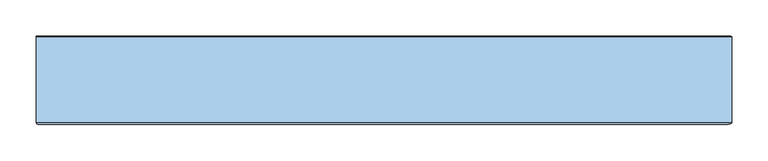
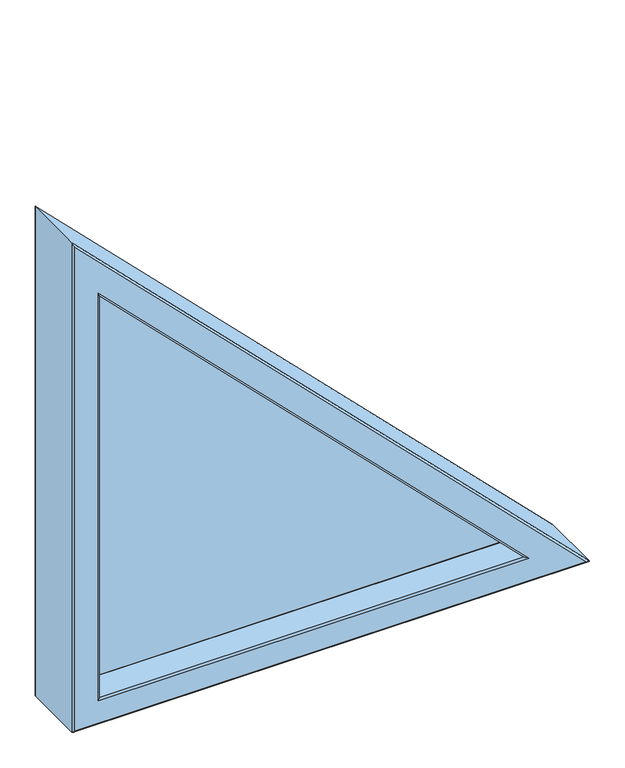
"""IFC4 building model written with IfcOpenShell, lengths in millimetres: window geometry."""

from ifc_helpers import new_model, si_unit, frame, origin, place, context, project, spatial, polyline, ellipse_curve, outline, extrude, source, transform, mapped, element, save
from ifc_brep_helpers import plane_surface, cylinder_surface, revolved_surface, advanced_brep


def window_2cdd886a(model_context):
    return source(origin(), model_context, "Body", "SolidModel", [
        advanced_brep(
        [(-439.5, 91.0, 860.5), (-438.0, 89.5, 862.0), (350.3187591, 89.5, 862.0), (353.9400795, 91.0, 860.5), (-438.0, 89.5, 1650.3187591), (-439.5, 91.0, 1653.9400795), (350.3187591, 35.0, 862.0), (-438.0, 35.0, 1650.3187591), (390.515109, 91.0, 845.3501267), (-454.6498733, 91.0, 845.3501267), (-454.6498733, 91.0, 1690.515109), (-456.1386925, 92.317196, 843.8613075), (394.1094365, 92.317196, 843.8613075), (-456.1386925, 92.317196, 1694.1094365), (408.8368183, 142.0, 837.7610262), (-462.2389738, 142.0, 1708.8368183), (-462.2389738, 142.0, 837.7610262), (350.3187591, 142.0, 862.0), (-438.0, 142.0, 862.0), (-438.0, 142.0, 1650.3187591), (-438.0, 143.3448353, 862.0), (350.3187591, 143.3448353, 862.0), (-438.0, 143.3448353, 1650.3187591), (357.8142776, 153.5, 858.8952546), (-441.1047454, 153.5, 1657.8142776), (-441.1047454, 153.5, 858.8952546), (399.1373282, 153.5, 841.7786866), (-458.2213134, 153.5, 841.7786866), (-458.2213134, 153.5, 1699.1373282), (-459.2213134, 152.5, 840.7786866), (401.5515417, 152.5, 840.7786866), (-459.2213134, 152.5, 1701.5515417), (401.5515417, 151.5, 840.7786866), (-459.2213134, 151.5, 1701.5515417), (-459.2213134, 151.5, 840.7786866), (412.1226263, 151.5, 836.4), (-463.6, 151.5, 836.4), (-463.6, 151.5, 1712.1226263), (-463.6, 153.0, 836.4), (412.1226263, 153.0, 836.4), (-463.6, 153.0, 1712.1226263), (414.5368399, 154.0, 835.4), (-464.6, 154.0, 1714.5368399), (-464.6, 154.0, 835.4), (468.6152237, 154.0, 813.0), (-487.0, 154.0, 813.0), (-487.0, 154.0, 1768.6152237), (-488.0, 153.0, 812.0), (471.0294373, 153.0, 812.0), (-488.0, 153.0, 1771.0294373), (471.0294373, 35.0, 812.0), (-488.0, 35.0, 1771.0294373), (-488.0, 35.0, 812.0), (463.7867966, 32.0, 815.0), (-485.0, 32.0, 1763.7867966), (-485.0, 32.0, 815.0), (357.5613998, 32.0, 859.0), (-441.0, 32.0, 859.0), (-441.0, 32.0, 1657.5613998), (-438.0, 35.0, 862.0)],
        [
            (0, 1, ellipse_curve(frame((-439.5, 89.5, 860.5), z_axis=(0.7071067811865474, 0.0, -0.7071067811865476), x_axis=(-0.7071067811865478, 0.0, -0.7071067811865471)), 2.1213203, 1.5)),
            (1, 2),
            (2, 3, ellipse_curve(frame((353.9400795, 89.5, 860.5), z_axis=(-0.3826834323650905, 0.0, -0.9238795325112864), x_axis=(-0.9238795325112865, 0.0, 0.3826834323650905)), 3.9196889, 1.5)),
            (3, 0),
            (2, 4),
            (4, 5, ellipse_curve(frame((-439.5, 89.5, 1653.9400795), z_axis=(0.9238795325112871, 0.0, 0.38268343236508884), x_axis=(0.3826834323650889, 0.0, -0.9238795325112871)), 3.9196889, 1.5)),
            (5, 3),
            (2, 6),
            (6, 7),
            (7, 4),
            (8, 9),
            (9, 10),
            (10, 8),
            (5, 0),
            (11, 9, ellipse_curve(frame((-454.6498733, 92.5, 845.3501267), z_axis=(-0.7071067811865474, 0.0, 0.7071067811865476), x_axis=(0.7071067811865478, 0.0, 0.7071067811865471)), 2.1213203, 1.5)),
            (8, 12, ellipse_curve(frame((390.515109, 92.5, 845.3501267), z_axis=(0.3826834323650905, 0.0, 0.9238795325112864), x_axis=(0.9238795325112865, 0.0, -0.3826834323650905)), 3.9196889, 1.5)),
            (12, 11),
            (10, 13, ellipse_curve(frame((-454.6498733, 92.5, 1690.515109), z_axis=(-0.9238795325112871, 0.0, -0.38268343236508884), x_axis=(-0.3826834323650889, 0.0, 0.9238795325112871)), 3.9196889, 1.5)),
            (13, 12),
            (14, 12),
            (13, 15),
            (15, 14),
            (16, 11),
            (14, 16),
            (15, 16),
            (17, 18),
            (18, 19),
            (19, 17),
            (20, 18),
            (17, 21),
            (21, 20),
            (19, 22),
            (22, 21),
            (23, 21),
            (22, 24),
            (24, 23),
            (25, 20),
            (23, 25),
            (26, 27),
            (27, 28),
            (28, 26),
            (24, 25),
            (29, 27, ellipse_curve(frame((-458.2213134, 152.5, 841.7786866), z_axis=(0.7071067811865474, 0.0, -0.7071067811865476), x_axis=(-0.7071067811865478, 0.0, -0.7071067811865471)), 1.4142136, 1.0)),
            (26, 30, ellipse_curve(frame((399.1373282, 152.5, 841.7786866), z_axis=(-0.3826834323650905, 0.0, -0.9238795325112864), x_axis=(-0.9238795325112865, 0.0, 0.3826834323650905)), 2.6131259, 1.0)),
            (30, 29),
            (28, 31, ellipse_curve(frame((-458.2213134, 152.5, 1699.1373282), z_axis=(0.9238795325112871, 0.0, 0.38268343236508884), x_axis=(0.3826834323650889, 0.0, -0.9238795325112871)), 2.6131259, 1.0)),
            (31, 30),
            (32, 30),
            (31, 33),
            (33, 32),
            (34, 29),
            (32, 34),
            (35, 36),
            (36, 37),
            (37, 35),
            (33, 34),
            (38, 36),
            (35, 39),
            (39, 38),
            (37, 40),
            (40, 39),
            (41, 39, ellipse_curve(frame((414.5368399, 153.0, 835.4), z_axis=(0.3826834323650905, 0.0, 0.9238795325112864), x_axis=(0.9238795325112863, 0.0, -0.38268343236509056)), 2.6131259, 1.0)),
            (40, 42, ellipse_curve(frame((-464.6, 153.0, 1714.5368399), z_axis=(0.9238795325112871, 0.0, 0.38268343236508884), x_axis=(0.3826834323650889, 0.0, -0.9238795325112871)), 2.6131259, 1.0)),
            (42, 41),
            (43, 38, ellipse_curve(frame((-464.6, 153.0, 835.4), z_axis=(0.7071067811865474, 0.0, -0.7071067811865476), x_axis=(-0.7071067811865478, 0.0, -0.7071067811865471)), 1.4142136, 1.0)),
            (41, 43),
            (44, 45),
            (45, 46),
            (46, 44),
            (42, 43),
            (47, 45, ellipse_curve(frame((-487.0, 153.0, 813.0), z_axis=(0.7071067811865474, 0.0, -0.7071067811865476), x_axis=(-0.7071067811865478, 0.0, -0.7071067811865471)), 1.4142136, 1.0)),
            (44, 48, ellipse_curve(frame((468.6152237, 153.0, 813.0), z_axis=(-0.3826834323650905, 0.0, -0.9238795325112864), x_axis=(-0.9238795325112865, 0.0, 0.3826834323650905)), 2.6131259, 1.0)),
            (48, 47),
            (46, 49, ellipse_curve(frame((-487.0, 153.0, 1768.6152237), z_axis=(0.9238795325112871, 0.0, 0.38268343236508884), x_axis=(0.3826834323650889, 0.0, -0.9238795325112871)), 2.6131259, 1.0)),
            (49, 48),
            (50, 48),
            (49, 51),
            (51, 50),
            (52, 47),
            (50, 52),
            (53, 50, ellipse_curve(frame((463.7867966, 35.0, 815.0), z_axis=(0.3826834323650905, 0.0, 0.9238795325112864), x_axis=(0.9238795325112863, 0.0, -0.38268343236509056)), 7.8393778, 3.0)),
            (51, 54, ellipse_curve(frame((-485.0, 35.0, 1763.7867966), z_axis=(0.9238795325112871, 0.0, 0.38268343236508884), x_axis=(0.3826834323650889, 0.0, -0.9238795325112871)), 7.8393778, 3.0)),
            (54, 53),
            (55, 52, ellipse_curve(frame((-485.0, 35.0, 815.0), z_axis=(0.7071067811865474, 0.0, -0.7071067811865476), x_axis=(-0.7071067811865478, 0.0, -0.7071067811865471)), 4.2426407, 3.0)),
            (53, 55),
            (54, 55),
            (56, 57),
            (57, 58),
            (58, 56),
            (59, 57, ellipse_curve(frame((-441.0, 35.0, 859.0), z_axis=(0.7071067811865474, 0.0, -0.7071067811865476), x_axis=(-0.7071067811865478, 0.0, -0.7071067811865471)), 4.2426407, 3.0)),
            (56, 6, ellipse_curve(frame((357.5613998, 35.0, 859.0), z_axis=(-0.3826834323650905, 0.0, -0.9238795325112864), x_axis=(-0.9238795325112865, 0.0, 0.3826834323650905)), 7.8393778, 3.0)),
            (6, 59),
            (58, 7, ellipse_curve(frame((-441.0, 35.0, 1657.5613998), z_axis=(0.9238795325112871, 0.0, 0.38268343236508884), x_axis=(0.3826834323650889, 0.0, -0.9238795325112871)), 7.8393778, 3.0)),
            (1, 59),
            (4, 1),
            (7, 59),
            (11, 13),
            (20, 22),
            (29, 31),
            (38, 40),
            (47, 49),
            (52, 51),
        ],
        [
            cylinder_surface(frame((-500.0, 89.5, 860.5), z_axis=(-1.0, 0.0, 0.0), x_axis=(0.0, 1.0, 0.0)), 1.5),
            cylinder_surface(frame((457.2200397, 89.5, 757.2200397), z_axis=(0.7071067811865465, 0.0, -0.7071067811865487), x_axis=(0.0, 1.0, 0.0)), 1.5),
            plane_surface(frame((350.3187591, 35.0, 862.0), z_axis=(-0.7071067811865485, 0.0, -0.7071067811865467), x_axis=(-0.7071067811865467, 0.0, 0.7071067811865485))),
            plane_surface(frame((-439.5, 91.0, 860.5), z_axis=(0.0, 1.0, 0.0), x_axis=(1.0, 0.0, 0.0))),
            revolved_surface(polyline([(394.1364293485216, 94.0, 845.3501267), (-456.1498732691987, 94.0, 845.3501267)]), (-500.0, 92.5, 845.3501267), (1.0, 0.0, 0.0)),
            revolved_surface(polyline([(-457.2105334252872, 94.0, 1693.07576922529), (393.0757692252886, 94.0, 842.7894665747116)]), (467.9326179, 92.5, 767.9326179), (-0.7071067811865465, 0.0, 0.7071067811865487)),
            plane_surface(frame((394.1094365, 92.317196, 843.8613075), z_axis=(-0.7018361144661913, 0.12186934340514152, -0.70183611446619), x_axis=(-0.7071067811865467, 0.0, 0.7071067811865485))),
            plane_surface(frame((-456.1386925, 92.317196, 843.8613075), z_axis=(0.0, 0.12186934340513604, 0.9925461516413235), x_axis=(1.0, 0.0, 0.0))),
            plane_surface(frame((-462.2389738, 142.0, 837.7610262), z_axis=(0.0, -1.0, 0.0), x_axis=(1.0, 0.0, 0.0))),
            plane_surface(frame((-438.0, 142.0, 862.0), z_axis=(0.0, 0.0, 1.0), x_axis=(1.0, 0.0, 0.0))),
            plane_surface(frame((350.3187591, 142.0, 862.0), z_axis=(-0.7071067811865485, 0.0, -0.7071067811865467), x_axis=(-0.7071067811865467, 0.0, 0.7071067811865485))),
            plane_surface(frame((350.3187591, 143.3448353, 862.0), z_axis=(-0.6762095778224083, 0.29237170472274154, -0.6762095778224074), x_axis=(-0.7071067811865466, 0.0, 0.7071067811865485))),
            plane_surface(frame((-438.0, 143.3448353, 862.0), z_axis=(0.0, 0.2923717047227363, 0.9563047559630357), x_axis=(1.0, 0.0, 0.0))),
            plane_surface(frame((-441.1047454, 153.5, 858.8952546), z_axis=(0.0, 1.0, 0.0), x_axis=(1.0, 0.0, 0.0))),
            cylinder_surface(frame((-500.0, 152.5, 841.7786866), z_axis=(-1.0, 0.0, 0.0), x_axis=(0.0, 1.0, 0.0)), 1.0),
            cylinder_surface(frame((470.4580074, 152.5, 770.4580074), z_axis=(0.7071067811865465, 0.0, -0.7071067811865487), x_axis=(0.0, 1.0, 0.0)), 1.0),
            plane_surface(frame((401.5515417, 152.5, 840.7786866), z_axis=(0.7071067811865485, 0.0, 0.7071067811865467), x_axis=(-0.7071067811865467, 0.0, 0.7071067811865485))),
            plane_surface(frame((-459.2213134, 152.5, 840.7786866), z_axis=(0.0, 0.0, -1.0), x_axis=(1.0, 0.0, 0.0))),
            plane_surface(frame((-459.2213134, 151.5, 840.7786866), z_axis=(0.0, 1.0, 0.0), x_axis=(1.0, 0.0, 0.0))),
            plane_surface(frame((-463.6, 151.5, 836.4), z_axis=(0.0, 0.0, 1.0), x_axis=(1.0, 0.0, 0.0))),
            plane_surface(frame((412.1226263, 151.5, 836.4), z_axis=(-0.7071067811865485, 0.0, -0.7071067811865467), x_axis=(-0.7071067811865467, 0.0, 0.7071067811865485))),
            cylinder_surface(frame((474.9684199, 153.0, 774.9684199), z_axis=(0.7071067811865465, 0.0, -0.7071067811865487), x_axis=(0.0, 1.0, 0.0)), 1.0),
            cylinder_surface(frame((-500.0, 153.0, 835.4), z_axis=(-1.0, 0.0, 0.0), x_axis=(0.0, 1.0, 0.0)), 1.0),
            plane_surface(frame((-464.6, 154.0, 835.4), z_axis=(0.0, 1.0, 0.0), x_axis=(1.0, 0.0, 0.0))),
            cylinder_surface(frame((-500.0, 153.0, 813.0), z_axis=(-1.0, 0.0, 0.0), x_axis=(0.0, 1.0, 0.0)), 1.0),
            cylinder_surface(frame((490.8076118, 153.0, 790.8076118), z_axis=(0.7071067811865465, 0.0, -0.7071067811865487), x_axis=(0.0, 1.0, 0.0)), 1.0),
            plane_surface(frame((471.0294373, 153.0, 812.0), z_axis=(0.7071067811865486, 0.0, 0.7071067811865466), x_axis=(-0.7071067811865466, 0.0, 0.7071067811865486))),
            plane_surface(frame((-488.0, 153.0, 812.0), z_axis=(0.0, 0.0, -1.0), x_axis=(1.0, 0.0, 0.0))),
            cylinder_surface(frame((489.3933983, 35.0, 789.3933983), z_axis=(0.7071067811865465, 0.0, -0.7071067811865487), x_axis=(0.0, 1.0, 0.0)), 3.0),
            cylinder_surface(frame((-500.0, 35.0, 815.0), z_axis=(-1.0, 0.0, 0.0), x_axis=(0.0, 1.0, 0.0)), 3.0),
            plane_surface(frame((-485.0, 32.0, 815.0), z_axis=(0.0, -1.0, 0.0), x_axis=(1.0, 0.0, 0.0))),
            cylinder_surface(frame((-500.0, 35.0, 859.0), z_axis=(-1.0, 0.0, 0.0), x_axis=(0.0, 1.0, 0.0)), 3.0),
            cylinder_surface(frame((458.2806999, 35.0, 758.2806999), z_axis=(0.7071067811865465, 0.0, -0.7071067811865487), x_axis=(0.0, 1.0, 0.0)), 3.0),
            plane_surface(frame((-438.0, 35.0, 862.0), z_axis=(0.0, 0.0, 1.0), x_axis=(1.0, 0.0, 0.0))),
            cylinder_surface(frame((-439.5, 89.5, 1800.0), z_axis=(0.0, 0.0, 1.0), x_axis=(0.0, 1.0, 0.0)), 1.5),
            plane_surface(frame((-438.0, 35.0, 1650.3187591), z_axis=(1.0, 0.0, 0.0), x_axis=(0.0, 0.0, -1.0))),
            revolved_surface(polyline([(-454.6498733, 94.0, 843.8501267308013), (-454.6498733, 94.0, 1694.1364293485217)]), (-454.6498733, 92.5, 1800.0), (0.0, 0.0, -1.0)),
            plane_surface(frame((-456.1386925, 92.317196, 1694.1094365), z_axis=(0.9925461516413235, 0.12186934340513604, 0.0), x_axis=(0.0, 0.0, -1.0))),
            plane_surface(frame((-438.0, 142.0, 1650.3187591), z_axis=(1.0, 0.0, 0.0), x_axis=(0.0, 0.0, -1.0))),
            plane_surface(frame((-438.0, 143.3448353, 1650.3187591), z_axis=(0.9563047559630357, 0.2923717047227363, 0.0), x_axis=(0.0, 0.0, -1.0))),
            cylinder_surface(frame((-458.2213134, 152.5, 1800.0), z_axis=(0.0, 0.0, 1.0), x_axis=(0.0, 1.0, 0.0)), 1.0),
            plane_surface(frame((-459.2213134, 152.5, 1701.5515417), z_axis=(-1.0, 0.0, 0.0), x_axis=(0.0, 0.0, -1.0))),
            plane_surface(frame((-463.6, 151.5, 1712.1226263), z_axis=(1.0, 0.0, 0.0), x_axis=(0.0, 0.0, -1.0))),
            cylinder_surface(frame((-464.6, 153.0, 1800.0), z_axis=(0.0, 0.0, 1.0), x_axis=(0.0, 1.0, 0.0)), 1.0),
            cylinder_surface(frame((-487.0, 153.0, 1800.0), z_axis=(0.0, 0.0, 1.0), x_axis=(0.0, 1.0, 0.0)), 1.0),
            plane_surface(frame((-488.0, 153.0, 1771.0294373), z_axis=(-1.0, 0.0, 0.0), x_axis=(0.0, 0.0, -1.0))),
            cylinder_surface(frame((-485.0, 35.0, 1800.0), z_axis=(0.0, 0.0, 1.0), x_axis=(0.0, 1.0, 0.0)), 3.0),
            cylinder_surface(frame((-441.0, 35.0, 1800.0), z_axis=(0.0, 0.0, 1.0), x_axis=(0.0, 1.0, 0.0)), 3.0),
        ],
        [
            (0, [[1, 2, 3, 4]]),
            (1, [[-3, 5, 6, 7]]),
            (2, [[8, 9, 10, -5]]),
            (3, [[11, 12, 13], [-7, 14, -4]]),
            (4, [[15, -11, 16, 17]]),
            (5, [[-16, -13, 18, 19]]),
            (6, [[20, -19, 21, 22]]),
            (7, [[23, -17, -20, 24]]),
            (8, [[-22, 25, -24], [26, 27, 28]]),
            (9, [[29, -26, 30, 31]]),
            (10, [[-30, -28, 32, 33]]),
            (11, [[34, -33, 35, 36]]),
            (12, [[37, -31, -34, 38]]),
            (13, [[39, 40, 41], [-36, 42, -38]]),
            (14, [[43, -39, 44, 45]]),
            (15, [[-44, -41, 46, 47]]),
            (16, [[48, -47, 49, 50]]),
            (17, [[51, -45, -48, 52]]),
            (18, [[53, 54, 55], [-50, 56, -52]]),
            (19, [[57, -53, 58, 59]]),
            (20, [[-58, -55, 60, 61]]),
            (21, [[62, -61, 63, 64]]),
            (22, [[65, -59, -62, 66]]),
            (23, [[67, 68, 69], [-64, 70, -66]]),
            (24, [[71, -67, 72, 73]]),
            (25, [[-72, -69, 74, 75]]),
            (26, [[76, -75, 77, 78]]),
            (27, [[79, -73, -76, 80]]),
            (28, [[81, -78, 82, 83]]),
            (29, [[84, -80, -81, 85]]),
            (30, [[-83, 86, -85], [87, 88, 89]]),
            (31, [[90, -87, 91, 92]]),
            (32, [[-91, -89, 93, -9]]),
            (33, [[94, -92, -8, -2]]),
            (34, [[-6, 95, -1, -14]]),
            (35, [[-10, 96, -94, -95]]),
            (36, [[-18, -12, -15, 97]]),
            (37, [[-21, -97, -23, -25]]),
            (38, [[-32, -27, -29, 98]]),
            (39, [[-35, -98, -37, -42]]),
            (40, [[-46, -40, -43, 99]]),
            (41, [[-49, -99, -51, -56]]),
            (42, [[-60, -54, -57, 100]]),
            (43, [[-63, -100, -65, -70]]),
            (44, [[-74, -68, -71, 101]]),
            (45, [[-77, -101, -79, 102]]),
            (46, [[-82, -102, -84, -86]]),
            (47, [[-93, -88, -90, -96]]),
        ],
    ),
        extrude(outline(polyline([(1684.117749, -452.0), (848.0, -452.0), (848.0, 384.117749), (1684.117749, -452.0)])), frame((0.0, 94.0, 0.0), z_axis=(0.0, 1.0, 0.0), x_axis=(0.0, 0.0, 1.0)), (0.0, 0.0, 1.0), 48.0),
    ])


if __name__ == "__main__":
    model = new_model("IFC4")
    model_context = context("Model", 3, world=origin())
    ifc_project = project(units=[si_unit("LENGTHUNIT", "METRE", prefix="MILLI")], contexts=[model_context])
    site = spatial("IfcSite", under=ifc_project)
    building = spatial("IfcBuilding", under=site)
    placement = place(None, origin())
    window_shape = window_2cdd886a(model_context)
    element("IfcWindow", 1, at=placement, inside=building, context=model_context, shape_type="MappedRepresentation", body=[
        mapped(window_shape, transform((0.0, 0.0, 0.0), x_axis=(1.0, 0.0, 0.0), y_axis=(0.0, 1.0, 0.0), z_axis=(0.0, 0.0, 1.0))),
    ])
    save(model, "model.ifc")
